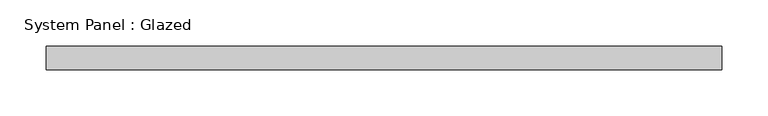
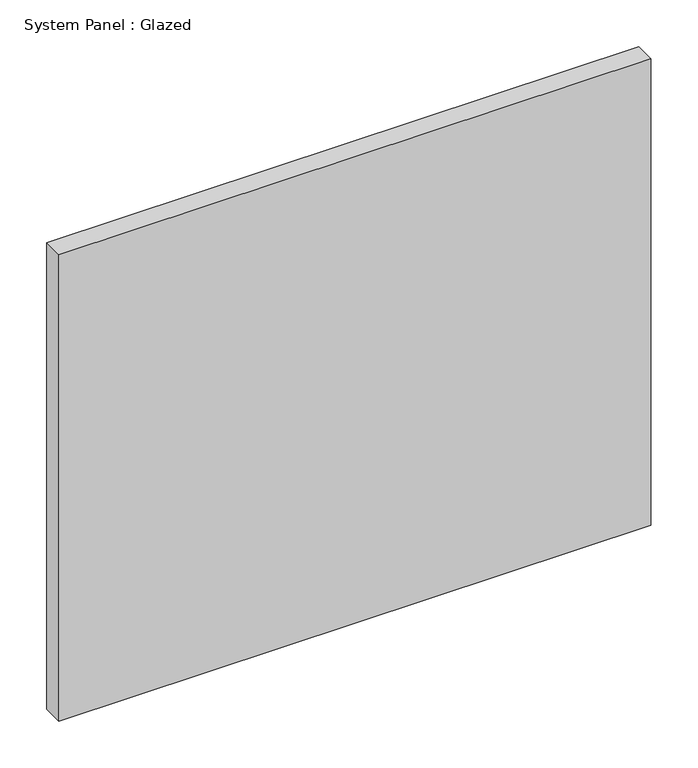
"""IFC4 building model written with IfcOpenShell, lengths in millimetres: plate geometry, System Panel : Glazed."""

import ifcopenshell
import ifcopenshell.guid

model = None  # the IFC model being written
_history = None  # IfcOwnerHistory: only IFC2X3 demands one
_inside = {}  # id of a spatial element -> (the spatial element, [elements in it])
_under = {}  # id of a project, library or spatial element -> (it, [spatial elements below it])
_declared = {}  # id of a project -> (the project, [libraries it declares])
_typed = {}  # id of a type object -> (the type object, [elements of that type])
_made_of = {}  # id of a material, layer set ... -> (it, [elements and type objects made of it])


def new_model(schema):
    """Start an empty IFC model of exactly this schema.

    Asked for "IFC4X3", IfcOpenShell would pick the latest addendum, in which some entities
    have other attributes; the version numbers below select the first issue.
    IFC2X3 requires an IfcOwnerHistory on every rooted entity: one is made here for all.
    """
    global model, _history
    if schema == "IFC4X3":
        model = ifcopenshell.file(schema_version=(4, 3, 0, 0))
    else:
        model = ifcopenshell.file(schema=schema)
    _inside.clear()
    _under.clear()
    _declared.clear()
    _typed.clear()
    _made_of.clear()
    _history = None
    if model.schema == "IFC2X3":
        org = make("IfcOrganization", Name="unknown")
        user = make(
            "IfcPersonAndOrganization",
            ThePerson=make("IfcPerson", FamilyName="unknown"),
            TheOrganization=org,
        )
        app = make(
            "IfcApplication",
            ApplicationDeveloper=org,
            Version="unknown",
            ApplicationFullName="unknown",
            ApplicationIdentifier="unknown",
        )
        _history = make(
            "IfcOwnerHistory",
            OwningUser=user,
            OwningApplication=app,
            ChangeAction="ADDED",
            CreationDate=0,
        )
    return model


def make(cls, **values):
    """One entity of the class cls with the attributes given. An attribute that is None is left unset."""
    return model.create_entity(
        cls, **{name: value for name, value in values.items() if value is not None}
    )


def rooted(cls, **values):
    """An entity with a GlobalId (a new one), such as an element, a storey or a relation."""
    return make(cls, GlobalId=ifcopenshell.guid.new(), OwnerHistory=_history, **values)


def si_unit(unit_type, name, prefix=None):
    """IfcSIUnit, for example si_unit("LENGTHUNIT", "METRE", prefix="MILLI")."""
    return make("IfcSIUnit", UnitType=unit_type, Prefix=prefix, Name=name)


def assignment(units):
    """IfcUnitAssignment: the units of a project."""
    return None if units is None else make("IfcUnitAssignment", Units=units)


def point(xyz):
    """IfcCartesianPoint."""
    return None if xyz is None else make("IfcCartesianPoint", Coordinates=xyz)


def direction(xyz):
    """IfcDirection."""
    return None if xyz is None else make("IfcDirection", DirectionRatios=xyz)


def frame(location, z_axis=None, x_axis=None):
    """IfcAxis2Placement3D, a coordinate frame: its origin and axes. An axis left out is left unset."""
    return make(
        "IfcAxis2Placement3D",
        Location=point(location),
        Axis=direction(z_axis),
        RefDirection=direction(x_axis),
    )


def origin():
    """The frame at (0, 0, 0) with its axes left unset."""
    return frame((0.0, 0.0, 0.0))


def origin_with_axes():
    """The frame at (0, 0, 0) with the z axis (0, 0, 1) and the x axis (1, 0, 0) written out."""
    return frame((0.0, 0.0, 0.0), z_axis=(0.0, 0.0, 1.0), x_axis=(1.0, 0.0, 0.0))


def place(relative_to, where):
    """IfcLocalPlacement: puts the frame where relative to a parent placement (None: the world)."""
    return make(
        "IfcLocalPlacement", PlacementRelTo=relative_to, RelativePlacement=where
    )


def context(
    kind, dimensions, precision=None, world=None, true_north=None, identifier=None
):
    """IfcGeometricRepresentationContext, for example the 3D "Model" context."""
    return make(
        "IfcGeometricRepresentationContext",
        ContextIdentifier=identifier,
        ContextType=kind,
        CoordinateSpaceDimension=dimensions,
        Precision=precision,
        WorldCoordinateSystem=world,
        TrueNorth=true_north,
    )


def project(units=None, contexts=None):
    """IfcProject with its units and contexts."""
    return rooted(
        "IfcProject",
        Name="project",
        RepresentationContexts=contexts,
        UnitsInContext=assignment(units),
    )


def spatial(cls, under=None, at=None, **own):
    """A site, building, storey or space (cls), placed at a placement, below another one or the project."""
    s = rooted(cls, ObjectPlacement=at, **own)
    if under is not None:
        _under.setdefault(under.id(), (under, []))[1].append(s)
    return s


def polyline(points):
    """IfcPolyline through the points."""
    return make("IfcPolyline", Points=[point(p) for p in points])


def outline(outer, holes=None, kind="AREA"):
    """IfcArbitraryClosedProfileDef: a profile drawn as a closed curve; with holes, ...WithVoids."""
    if holes is None:
        return make("IfcArbitraryClosedProfileDef", ProfileType=kind, OuterCurve=outer)
    return make(
        "IfcArbitraryProfileDefWithVoids",
        ProfileType=kind,
        OuterCurve=outer,
        InnerCurves=holes,
    )


def extrude(swept, where, along, depth):
    """IfcExtrudedAreaSolid: the profile swept, set in the frame where, extruded along a direction by depth."""
    return make(
        "IfcExtrudedAreaSolid",
        SweptArea=swept,
        Position=where,
        ExtrudedDirection=direction(along),
        Depth=depth,
    )


def shape(context_of_items, identifier, shape_type, items):
    """IfcShapeRepresentation: the items that make up one representation, for example the "Body"."""
    return make(
        "IfcShapeRepresentation",
        ContextOfItems=context_of_items,
        RepresentationIdentifier=identifier,
        RepresentationType=shape_type,
        Items=items,
    )


def source(mapping_origin, context_of_items, identifier, shape_type, items):
    """IfcRepresentationMap: a shape defined once, which mapped items show again and again."""
    return make(
        "IfcRepresentationMap",
        MappingOrigin=mapping_origin,
        MappedRepresentation=shape(context_of_items, identifier, shape_type, items),
    )


def transform(
    local_origin,
    x_axis=None,
    y_axis=None,
    z_axis=None,
    scale=None,
    scale2=None,
    scale3=None,
    uniform=True,
):
    """IfcCartesianTransformationOperator3D, or its non-uniform kind. x_axis, y_axis, z_axis: its Axis1, 2, 3."""
    if uniform:
        return make(
            "IfcCartesianTransformationOperator3D",
            Axis1=direction(x_axis),
            Axis2=direction(y_axis),
            LocalOrigin=point(local_origin),
            Scale=scale,
            Axis3=direction(z_axis),
        )
    return make(
        "IfcCartesianTransformationOperator3DnonUniform",
        Axis1=direction(x_axis),
        Axis2=direction(y_axis),
        LocalOrigin=point(local_origin),
        Scale=scale,
        Axis3=direction(z_axis),
        Scale2=scale2,
        Scale3=scale3,
    )


def mapped(mapping_source, mapping_target):
    """IfcMappedItem: shows the shape of a source again, moved by a transform."""
    return make(
        "IfcMappedItem", MappingSource=mapping_source, MappingTarget=mapping_target
    )


def made_of(thing, what):
    """Note that an element or type object is made of a material, layer set ...; save() writes the relation."""
    if what is not None:
        _made_of.setdefault(what.id(), (what, []))[1].append(thing)
    return thing


def element(
    cls,
    number,
    at=None,
    inside=None,
    cuts=None,
    type_object=None,
    material=None,
    context=None,
    identifier="Body",
    shape_type=None,
    held_by="IfcProductDefinitionShape",
    body=None,
    shapes=None,
    **own,
):
    """One element of the class cls, such as IfcWall. Its Tag is "e" and its number.

    at: its placement. inside: the storey or other place that contains it. cuts: it is an
    opening in that element (IfcRelVoidsElement). A single representation is given by context,
    identifier, shape_type and body (its items); several are given by shapes. held_by: the class
    of the entity that holds the representations. save() writes the other relations.
    """
    e = rooted(cls, Tag="e%d" % number, ObjectPlacement=at, **own)
    if body is not None:
        shapes = [shape(context, identifier, shape_type, body)]
    if shapes is not None:
        e.Representation = make(held_by, Representations=shapes)
    if inside is not None:
        _inside.setdefault(inside.id(), (inside, []))[1].append(e)
    if cuts is not None:
        rooted(
            "IfcRelVoidsElement", RelatingBuildingElement=cuts, RelatedOpeningElement=e
        )
    if type_object is not None:
        _typed.setdefault(type_object.id(), (type_object, []))[1].append(e)
    return made_of(e, material)


def aggregate(whole, parts):
    """IfcRelAggregates: a whole, such as a stair, and the parts it consists of."""
    return rooted("IfcRelAggregates", RelatingObject=whole, RelatedObjects=parts)


def save(model, path):
    """Write the relations noted so far, then the file.

    IfcRelAggregates (storeys below a building ...), IfcRelContainedInSpatialStructure (elements
    in a storey), IfcRelDefinesByType, IfcRelAssociatesMaterial and IfcRelDeclares: one each for
    every whole, place, type object, material and project.
    """
    for whole, parts in _under.values():
        aggregate(whole, parts)
    for where, things in _inside.values():
        rooted(
            "IfcRelContainedInSpatialStructure",
            RelatedElements=things,
            RelatingStructure=where,
        )
    for kind, things in _typed.values():
        rooted("IfcRelDefinesByType", RelatedObjects=things, RelatingType=kind)
    for what, things in _made_of.values():
        rooted("IfcRelAssociatesMaterial", RelatedObjects=things, RelatingMaterial=what)
    for by, libraries in _declared.values():
        rooted("IfcRelDeclares", RelatingContext=by, RelatedDefinitions=libraries)
    model.write(path)


def system_panel_glazed_164c7573(model_context):
    return source(origin(), model_context, "Body", "SweptSolid", [
        extrude(outline(polyline([(365.9255071, 19.05), (-365.9255071, 19.05), (-365.9255071, 44.45), (365.9255071, 44.45), (365.9255071, 19.05)])), origin_with_axes(), (0.0, 0.0, 1.0), 609.6),
    ])


if __name__ == "__main__":
    model = new_model("IFC4")
    model_context = context("Model", 3, world=origin())
    ifc_project = project(units=[si_unit("LENGTHUNIT", "METRE", prefix="MILLI")], contexts=[model_context])
    site = spatial("IfcSite", under=ifc_project)
    building = spatial("IfcBuilding", under=site)
    placement = place(None, origin())
    system_panel_glazed_shape = system_panel_glazed_164c7573(model_context)
    element("IfcPlate", 1, ObjectType="System Panel : Glazed", at=placement, inside=building, context=model_context, shape_type="MappedRepresentation", body=[
        mapped(system_panel_glazed_shape, transform((0.0, 0.0, 0.0), x_axis=(1.0, 0.0, 0.0), y_axis=(0.0, 1.0, 0.0), z_axis=(0.0, 0.0, 1.0))),
    ])
    save(model, "model.ifc")
